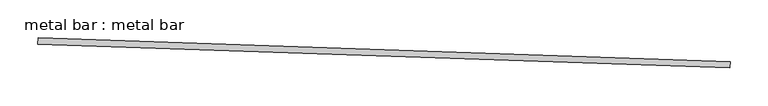
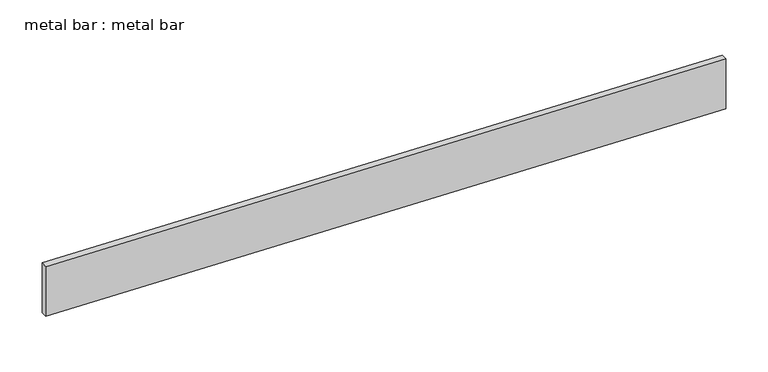
"""IFC4 building model written with IfcOpenShell, lengths in millimetres: proxy geometry, metal bar : metal bar."""

from ifc_helpers import new_model, si_unit, frame, origin, place, context, project, spatial, polyline, outline, extrude, source, transform, mapped, element, save


def metal_bar_metal_bar_9f1a5f8d(model_context):
    return source(origin(), model_context, "Body", "SweptSolid", [
        extrude(outline(polyline([(33440.2230173, -15453.4419814), (33440.5132903, -15444.9598761), (34354.3783186, -15476.2339853), (34354.0880457, -15484.7160906), (33440.2230173, -15453.4419814)])), frame((0.0, 0.0, 4768.9919864), z_axis=(0.0, 0.0, 1.0), x_axis=(1.0, 0.0, 0.0)), (0.0, 0.0, 1.0), 72.1464843),
    ])


if __name__ == "__main__":
    model = new_model("IFC4")
    model_context = context("Model", 3, world=origin())
    ifc_project = project(units=[si_unit("LENGTHUNIT", "METRE", prefix="MILLI")], contexts=[model_context])
    site = spatial("IfcSite", under=ifc_project)
    building = spatial("IfcBuilding", under=site)
    placement = place(None, origin())
    metal_bar_metal_bar_shape = metal_bar_metal_bar_9f1a5f8d(model_context)
    element("IfcBuildingElementProxy", 1, Name="metal bar : metal bar", ObjectType="metal bar : metal bar", at=placement, inside=building, context=model_context, shape_type="MappedRepresentation", body=[
        mapped(metal_bar_metal_bar_shape, transform((0.0, 0.0, 0.0), x_axis=(1.0, 0.0, 0.0), y_axis=(0.0, 1.0, 0.0), z_axis=(0.0, 0.0, 1.0))),
    ])
    save(model, "model.ifc")
